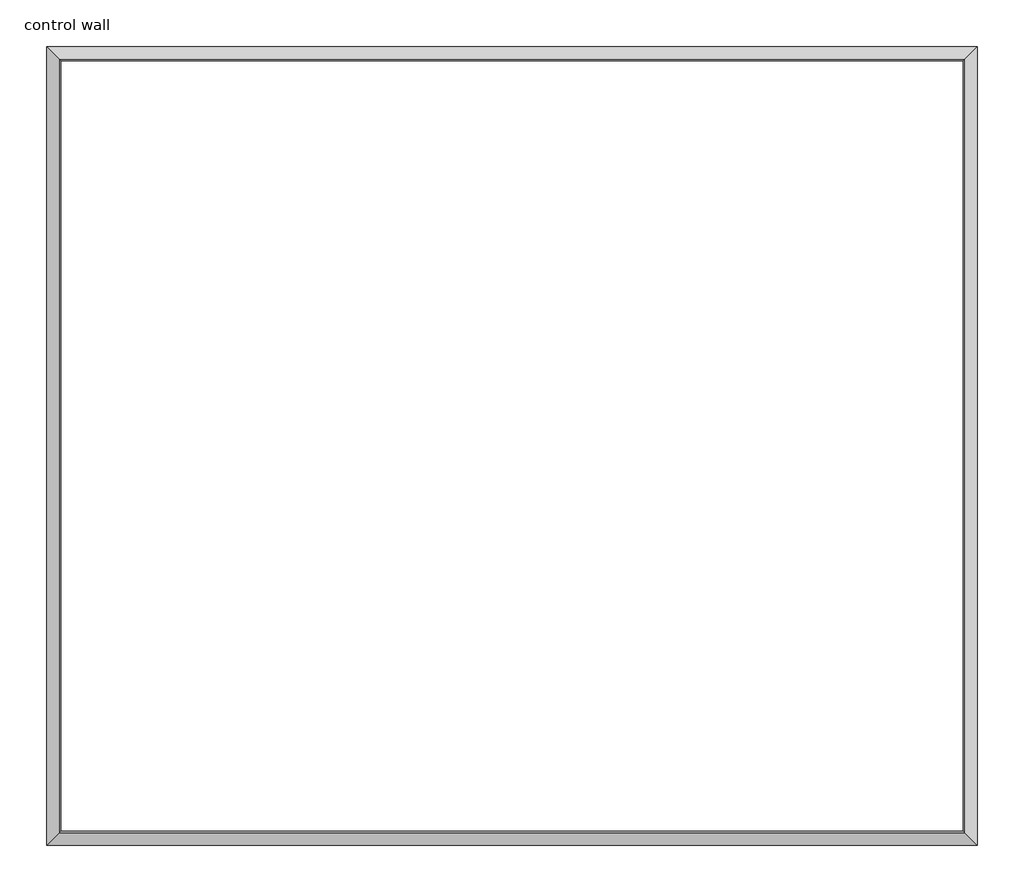
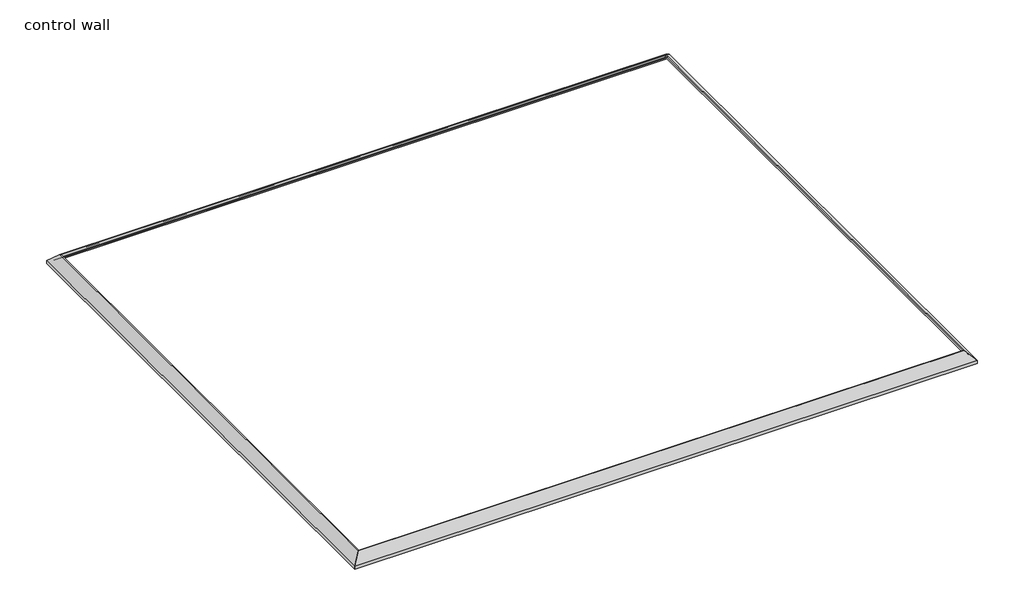
# One storey: 4 proxies.
"""IFC4 building model written with IfcOpenShell, lengths in millimetres."""

from ifc_helpers import new_model, si_unit, frame, origin, place, context, project, spatial, polyline, ellipse_curve, element, save
from ifc_brep_helpers import plane_surface, cylinder_surface, revolved_surface, advanced_brep

model = new_model("IFC4")

# Units and contexts
model_context = context("Model", 3, world=origin())
ifc_project = project(units=[si_unit("LENGTHUNIT", "METRE", prefix="MILLI")], contexts=[model_context])

# Site, building, storey
site = spatial("IfcSite", under=ifc_project)
building = spatial("IfcBuilding", under=site)
storey = spatial("IfcBuildingStorey", under=building, Name="control wall", Elevation=2133.6)

# Proxies
placement = place(None, origin())
element("IfcBuildingElementProxy", 1, Name="Wall Sweeps", at=placement, inside=storey, context=model_context, shape_type="AdvancedBrep", body=[
    advanced_brep(
    [(18436.7302098, -13257.2753377, 2982.9793892), (18436.7302098, -13257.2753377, 2959.1), (18445.710466, -13266.2555938, 2959.1), (18445.710466, -13266.2555938, 2968.0802561), (18459.1808501, -13279.725978, 2981.5506403), (18459.1808501, -13279.725978, 2987.9006403), (18479.70553, -13300.2506579, 3008.4253202), (18500.2302098, -13320.7753377, 3028.95), (18509.8535186, -13330.3986465, 3028.95), (18509.8535186, -13330.3986465, 3048.0), (18501.7508207, -13322.2959485, 3048.0), (23262.7302098, -13257.2753377, 2982.9793892), (23197.709599, -13322.2959485, 3048.0), (23189.606901, -13330.3986465, 3048.0), (23189.606901, -13330.3986465, 3028.95), (23199.2302098, -13320.7753377, 3028.95), (23219.7548897, -13300.2506579, 3008.4253202), (23240.2795695, -13279.725978, 2987.9006403), (23240.2795695, -13279.725978, 2981.5506403), (23253.7499537, -13266.2555938, 2968.0802561), (23253.7499537, -13266.2555938, 2959.1), (23262.7302098, -13257.2753377, 2959.1)],
    [
        (0, 1),
        (1, 2),
        (2, 3),
        (3, 4, ellipse_curve(frame((18459.1808501, -13279.725978, 2968.0802561), z_axis=(0.7071067811865476, 0.7071067811865476, 0.0), x_axis=(0.7071067811865474, -0.7071067811865476, 0.0)), 19.05, 13.4703842)),
        (4, 5),
        (5, 6, ellipse_curve(frame((18459.1808501, -13279.725978, 3008.4253202), z_axis=(-0.7071067811865476, -0.7071067811865476, 0.0), x_axis=(-0.7071067811865474, 0.7071067811865476, 0.0)), 29.0262806, 20.5246798)),
        (6, 7, ellipse_curve(frame((18500.2302098, -13320.7753377, 3008.4253202), z_axis=(0.7071067811865476, 0.7071067811865476, 0.0), x_axis=(0.7071067811865474, -0.7071067811865476, 0.0)), 29.0262806, 20.5246798)),
        (7, 8),
        (8, 9),
        (9, 10),
        (10, 0),
        (11, 12),
        (12, 13),
        (13, 14),
        (14, 15),
        (15, 16, ellipse_curve(frame((23199.2302098, -13320.7753377, 3008.4253202), z_axis=(-0.707106781186544, 0.7071067811865511, 0.0), x_axis=(0.7071067811865509, 0.7071067811865441, 0.0)), 29.0262806, 20.5246798)),
        (16, 17, ellipse_curve(frame((23240.2795695, -13279.725978, 3008.4253202), z_axis=(0.707106781186544, -0.7071067811865511, 0.0), x_axis=(-0.7071067811865509, -0.7071067811865441, 0.0)), 29.0262806, 20.5246798)),
        (17, 18),
        (18, 19, ellipse_curve(frame((23240.2795695, -13279.725978, 2968.0802561), z_axis=(-0.707106781186544, 0.7071067811865511, 0.0), x_axis=(0.7071067811865509, 0.7071067811865441, 0.0)), 19.05, 13.4703842)),
        (19, 20),
        (20, 21),
        (21, 11),
        (0, 11),
        (21, 1),
        (20, 2),
        (19, 3),
        (18, 4),
        (17, 5),
        (16, 6),
        (15, 7),
        (14, 8),
        (13, 9),
        (12, 10),
    ],
    [
        plane_surface(frame((18436.7302098, -13257.2753377, 3263.9), z_axis=(-0.7071067811865476, -0.7071067811865476, 0.0), x_axis=(0.7071067811865476, -0.7071067811865476, 0.0))),
        plane_surface(frame((23262.7302098, -13257.2753377, 3263.9), z_axis=(0.707106781186544, -0.7071067811865511, 0.0), x_axis=(-0.7071067811865511, -0.707106781186544, 0.0))),
        plane_surface(frame((18436.7302098, -13257.2753377, 2982.9793892), z_axis=(0.0, 1.0, 0.0), x_axis=(1.0, 0.0, 0.0))),
        plane_surface(frame((18436.7302098, -13257.2753377, 2959.1), z_axis=(0.0, 0.0, -1.0), x_axis=(1.0, 0.0, 0.0))),
        plane_surface(frame((18445.710466, -13266.2555938, 2959.1), z_axis=(0.0, -1.0, 0.0), x_axis=(1.0, 0.0, 0.0))),
        revolved_surface(polyline([(23253.7499537, -13293.1963622, 2968.0802561), (18445.710465918397, -13293.1963622, 2968.0802561)]), (18436.7302098, -13279.725978, 2968.0802561), (1.0, 0.0, 0.0)),
        plane_surface(frame((18459.1808501, -13279.725978, 2981.5506403), z_axis=(0.0, -1.0, 0.0), x_axis=(1.0, 0.0, 0.0))),
        cylinder_surface(frame((18436.7302098, -13279.725978, 3008.4253202), z_axis=(-1.0, 0.0, 0.0), x_axis=(0.0, -1.0, 0.0)), 20.5246798),
        revolved_surface(polyline([(23219.7548897, -13341.300017500002, 3008.4253202), (18479.705529955118, -13341.300017500002, 3008.4253202)]), (18436.7302098, -13320.7753377, 3008.4253202), (1.0, 0.0, 0.0)),
        plane_surface(frame((18500.2302098, -13320.7753377, 3028.95), z_axis=(0.0, 0.0, -1.0), x_axis=(1.0, 0.0, 0.0))),
        plane_surface(frame((18509.8535186, -13330.3986465, 3028.95), z_axis=(0.0, -1.0, 0.0), x_axis=(1.0, 0.0, 0.0))),
        plane_surface(frame((18509.8535186, -13330.3986465, 3048.0), z_axis=(0.0, 0.0, 1.0), x_axis=(1.0, 0.0, 0.0))),
        plane_surface(frame((18501.7508207, -13322.2959485, 3048.0), z_axis=(0.0, 0.707106781186547, 0.707106781186548), x_axis=(1.0, 0.0, 0.0))),
    ],
    [
        (0, [[1, 2, 3, 4, 5, 6, 7, 8, 9, 10, 11]]),
        (1, [[12, 13, 14, 15, 16, 17, 18, 19, 20, 21, 22]]),
        (2, [[-1, 23, -22, 24]]),
        (3, [[-2, -24, -21, 25]]),
        (4, [[-3, -25, -20, 26]]),
        (5, [[-4, -26, -19, 27]]),
        (6, [[-5, -27, -18, 28]]),
        (7, [[-6, -28, -17, 29]]),
        (8, [[-7, -29, -16, 30]]),
        (9, [[-8, -30, -15, 31]]),
        (10, [[-9, -31, -14, 32]]),
        (11, [[-10, -32, -13, 33]]),
        (12, [[-11, -33, -12, -23]]),
    ],
),
])
element("IfcBuildingElementProxy", 2, Name="Wall Sweeps", at=placement, inside=storey, context=model_context, shape_type="AdvancedBrep", body=[
    advanced_brep(
    [(18436.7302098, -17397.2878377, 2982.9793892), (18436.7302098, -17397.2878377, 2959.1), (18445.710466, -17388.3075816, 2959.1), (18445.710466, -17388.3075816, 2968.0802561), (18459.1808501, -17374.8371974, 2981.5506403), (18459.1808501, -17374.8371974, 2987.9006403), (18479.70553, -17354.3125176, 3008.4253202), (18500.2302098, -17333.7878377, 3028.95), (18509.8535186, -17324.1645289, 3028.95), (18509.8535186, -17324.1645289, 3048.0), (18501.7508207, -17332.2672269, 3048.0), (18436.7302098, -13257.2753377, 2982.9793892), (18501.7508207, -13322.2959485, 3048.0), (18509.8535186, -13330.3986465, 3048.0), (18509.8535186, -13330.3986465, 3028.95), (18500.2302098, -13320.7753377, 3028.95), (18479.70553, -13300.2506579, 3008.4253202), (18459.1808501, -13279.725978, 2987.9006403), (18459.1808501, -13279.725978, 2981.5506403), (18445.710466, -13266.2555938, 2968.0802561), (18445.710466, -13266.2555938, 2959.1), (18436.7302098, -13257.2753377, 2959.1)],
    [
        (0, 1),
        (1, 2),
        (2, 3),
        (3, 4, ellipse_curve(frame((18459.1808501, -17374.8371974, 2968.0802561), z_axis=(-0.7071067811865476, 0.7071067811865476, 0.0), x_axis=(0.7071067811865476, 0.7071067811865474, 0.0)), 19.05, 13.4703842)),
        (4, 5),
        (5, 6, ellipse_curve(frame((18459.1808501, -17374.8371974, 3008.4253202), z_axis=(0.7071067811865476, -0.7071067811865476, 0.0), x_axis=(-0.7071067811865476, -0.7071067811865474, 0.0)), 29.0262806, 20.5246798)),
        (6, 7, ellipse_curve(frame((18500.2302098, -17333.7878377, 3008.4253202), z_axis=(-0.7071067811865476, 0.7071067811865476, 0.0), x_axis=(0.7071067811865476, 0.7071067811865474, 0.0)), 29.0262806, 20.5246798)),
        (7, 8),
        (8, 9),
        (9, 10),
        (10, 0),
        (11, 12),
        (12, 13),
        (13, 14),
        (14, 15),
        (15, 16, ellipse_curve(frame((18500.2302098, -13320.7753377, 3008.4253202), z_axis=(-0.7071067811865476, -0.7071067811865476, 0.0), x_axis=(-0.7071067811865476, 0.7071067811865474, 0.0)), 29.0262806, 20.5246798)),
        (16, 17, ellipse_curve(frame((18459.1808501, -13279.725978, 3008.4253202), z_axis=(0.7071067811865476, 0.7071067811865476, 0.0), x_axis=(0.7071067811865476, -0.7071067811865474, 0.0)), 29.0262806, 20.5246798)),
        (17, 18),
        (18, 19, ellipse_curve(frame((18459.1808501, -13279.725978, 2968.0802561), z_axis=(-0.7071067811865476, -0.7071067811865476, 0.0), x_axis=(-0.7071067811865476, 0.7071067811865474, 0.0)), 19.05, 13.4703842)),
        (19, 20),
        (20, 21),
        (21, 11),
        (0, 11),
        (21, 1),
        (20, 2),
        (19, 3),
        (18, 4),
        (17, 5),
        (16, 6),
        (15, 7),
        (14, 8),
        (13, 9),
        (12, 10),
    ],
    [
        plane_surface(frame((18436.7302098, -17397.2878377, 3263.9), z_axis=(0.7071067811865476, -0.7071067811865476, 0.0), x_axis=(0.7071067811865476, 0.7071067811865476, 0.0))),
        plane_surface(frame((18436.7302098, -13257.2753377, 3263.9), z_axis=(0.7071067811865476, 0.7071067811865476, 0.0), x_axis=(0.7071067811865476, -0.7071067811865476, 0.0))),
        plane_surface(frame((18436.7302098, -17397.2878377, 2982.9793892), z_axis=(-1.0, 0.0, 0.0), x_axis=(0.0, 1.0, 0.0))),
        plane_surface(frame((18436.7302098, -17397.2878377, 2959.1), z_axis=(0.0, 0.0, -1.0), x_axis=(0.0, 1.0, 0.0))),
        plane_surface(frame((18445.710466, -17388.3075816, 2959.1), z_axis=(1.0, 0.0, 0.0), x_axis=(0.0, 1.0, 0.0))),
        revolved_surface(polyline([(18472.651234300003, -13266.2555938, 2968.0802561), (18472.651234300003, -17388.3075816, 2968.0802561)]), (18459.1808501, -17397.2878377, 2968.0802561), (0.0, 1.0, 0.0)),
        plane_surface(frame((18459.1808501, -17374.8371974, 2981.5506403), z_axis=(1.0, 0.0, 0.0), x_axis=(0.0, 1.0, 0.0))),
        cylinder_surface(frame((18459.1808501, -17397.2878377, 3008.4253202), z_axis=(0.0, -1.0, 0.0), x_axis=(1.0, 0.0, 0.0)), 20.5246798),
        revolved_surface(polyline([(18520.7548896, -13300.250657855118, 3008.4253202), (18520.7548896, -17354.3125176, 3008.4253202)]), (18500.2302098, -17397.2878377, 3008.4253202), (0.0, 1.0, 0.0)),
        plane_surface(frame((18500.2302098, -17333.7878377, 3028.95), z_axis=(0.0, 0.0, -1.0), x_axis=(0.0, 1.0, 0.0))),
        plane_surface(frame((18509.8535186, -17324.1645289, 3028.95), z_axis=(1.0, 0.0, 0.0), x_axis=(0.0, 1.0, 0.0))),
        plane_surface(frame((18509.8535186, -17324.1645289, 3048.0), z_axis=(0.0, 0.0, 1.0), x_axis=(0.0, 1.0, 0.0))),
        plane_surface(frame((18501.7508207, -17332.2672269, 3048.0), z_axis=(-0.707106781186547, 0.0, 0.707106781186548), x_axis=(0.0, 1.0, 0.0))),
    ],
    [
        (0, [[1, 2, 3, 4, 5, 6, 7, 8, 9, 10, 11]]),
        (1, [[12, 13, 14, 15, 16, 17, 18, 19, 20, 21, 22]]),
        (2, [[-1, 23, -22, 24]]),
        (3, [[-2, -24, -21, 25]]),
        (4, [[-3, -25, -20, 26]]),
        (5, [[-4, -26, -19, 27]]),
        (6, [[-5, -27, -18, 28]]),
        (7, [[-6, -28, -17, 29]]),
        (8, [[-7, -29, -16, 30]]),
        (9, [[-8, -30, -15, 31]]),
        (10, [[-9, -31, -14, 32]]),
        (11, [[-10, -32, -13, 33]]),
        (12, [[-11, -33, -12, -23]]),
    ],
),
])
element("IfcBuildingElementProxy", 3, Name="Wall Sweeps", at=placement, inside=storey, context=model_context, shape_type="AdvancedBrep", body=[
    advanced_brep(
    [(23262.7302098, -17397.2878377, 2982.9793892), (23262.7302098, -17397.2878377, 2959.1), (23253.7499537, -17388.3075816, 2959.1), (23253.7499537, -17388.3075816, 2968.0802561), (23240.2795695, -17374.8371974, 2981.5506403), (23240.2795695, -17374.8371974, 2987.9006403), (23219.7548897, -17354.3125176, 3008.4253202), (23199.2302098, -17333.7878377, 3028.95), (23189.606901, -17324.1645289, 3028.95), (23189.606901, -17324.1645289, 3048.0), (23197.709599, -17332.2672269, 3048.0), (18436.7302098, -17397.2878377, 2982.9793892), (18501.7508207, -17332.2672269, 3048.0), (18509.8535186, -17324.1645289, 3048.0), (18509.8535186, -17324.1645289, 3028.95), (18500.2302098, -17333.7878377, 3028.95), (18479.70553, -17354.3125176, 3008.4253202), (18459.1808501, -17374.8371974, 2987.9006403), (18459.1808501, -17374.8371974, 2981.5506403), (18445.710466, -17388.3075816, 2968.0802561), (18445.710466, -17388.3075816, 2959.1), (18436.7302098, -17397.2878377, 2959.1)],
    [
        (0, 1),
        (1, 2),
        (2, 3),
        (3, 4, ellipse_curve(frame((23240.2795695, -17374.8371974, 2968.0802561), z_axis=(-0.707106781186544, -0.7071067811865511, 0.0), x_axis=(-0.707106781186551, 0.707106781186544, 0.0)), 19.05, 13.4703842)),
        (4, 5),
        (5, 6, ellipse_curve(frame((23240.2795695, -17374.8371974, 3008.4253202), z_axis=(0.707106781186544, 0.7071067811865511, 0.0), x_axis=(0.707106781186551, -0.707106781186544, 0.0)), 29.0262806, 20.5246798)),
        (6, 7, ellipse_curve(frame((23199.2302098, -17333.7878377, 3008.4253202), z_axis=(-0.707106781186544, -0.7071067811865511, 0.0), x_axis=(-0.707106781186551, 0.707106781186544, 0.0)), 29.0262806, 20.5246798)),
        (7, 8),
        (8, 9),
        (9, 10),
        (10, 0),
        (11, 12),
        (12, 13),
        (13, 14),
        (14, 15),
        (15, 16, ellipse_curve(frame((18500.2302098, -17333.7878377, 3008.4253202), z_axis=(0.7071067811865476, -0.7071067811865476, 0.0), x_axis=(-0.7071067811865474, -0.7071067811865477, 0.0)), 29.0262806, 20.5246798)),
        (16, 17, ellipse_curve(frame((18459.1808501, -17374.8371974, 3008.4253202), z_axis=(-0.7071067811865476, 0.7071067811865476, 0.0), x_axis=(0.7071067811865474, 0.7071067811865477, 0.0)), 29.0262806, 20.5246798)),
        (17, 18),
        (18, 19, ellipse_curve(frame((18459.1808501, -17374.8371974, 2968.0802561), z_axis=(0.7071067811865476, -0.7071067811865476, 0.0), x_axis=(-0.7071067811865474, -0.7071067811865477, 0.0)), 19.05, 13.4703842)),
        (19, 20),
        (20, 21),
        (21, 11),
        (0, 11),
        (21, 1),
        (20, 2),
        (19, 3),
        (18, 4),
        (17, 5),
        (16, 6),
        (15, 7),
        (14, 8),
        (13, 9),
        (12, 10),
    ],
    [
        plane_surface(frame((23262.7302098, -17397.2878377, 3263.9), z_axis=(0.707106781186544, 0.7071067811865511, 0.0), x_axis=(-0.7071067811865511, 0.707106781186544, 0.0))),
        plane_surface(frame((18436.7302098, -17397.2878377, 3263.9), z_axis=(-0.7071067811865476, 0.7071067811865476, 0.0), x_axis=(0.7071067811865476, 0.7071067811865476, 0.0))),
        plane_surface(frame((23262.7302098, -17397.2878377, 2982.9793892), z_axis=(0.0, -1.0, 0.0), x_axis=(-1.0, 0.0, 0.0))),
        plane_surface(frame((23262.7302098, -17397.2878377, 2959.1), z_axis=(0.0, 0.0, -1.0), x_axis=(-1.0, 0.0, 0.0))),
        plane_surface(frame((23253.7499537, -17388.3075816, 2959.1), z_axis=(0.0, 1.0, 0.0), x_axis=(-1.0, 0.0, 0.0))),
        revolved_surface(polyline([(18445.710465918397, -17361.3668132, 2968.0802561), (23253.7499537, -17361.3668132, 2968.0802561)]), (23262.7302098, -17374.8371974, 2968.0802561), (-1.0, 0.0, 0.0)),
        plane_surface(frame((23240.2795695, -17374.8371974, 2981.5506403), z_axis=(0.0, 1.0, 0.0), x_axis=(-1.0, 0.0, 0.0))),
        cylinder_surface(frame((23262.7302098, -17374.8371974, 3008.4253202), z_axis=(1.0, 0.0, 0.0), x_axis=(0.0, 1.0, 0.0)), 20.5246798),
        revolved_surface(polyline([(18479.705529955118, -17313.2631579, 3008.4253202), (23219.7548897, -17313.2631579, 3008.4253202)]), (23262.7302098, -17333.7878377, 3008.4253202), (-1.0, 0.0, 0.0)),
        plane_surface(frame((23199.2302098, -17333.7878377, 3028.95), z_axis=(0.0, 0.0, -1.0), x_axis=(-1.0, 0.0, 0.0))),
        plane_surface(frame((23189.606901, -17324.1645289, 3028.95), z_axis=(0.0, 1.0, 0.0), x_axis=(-1.0, 0.0, 0.0))),
        plane_surface(frame((23189.606901, -17324.1645289, 3048.0), z_axis=(0.0, 0.0, 1.0), x_axis=(-1.0, 0.0, 0.0))),
        plane_surface(frame((23197.709599, -17332.2672269, 3048.0), z_axis=(0.0, -0.707106781186547, 0.707106781186548), x_axis=(-1.0, 0.0, 0.0))),
    ],
    [
        (0, [[1, 2, 3, 4, 5, 6, 7, 8, 9, 10, 11]]),
        (1, [[12, 13, 14, 15, 16, 17, 18, 19, 20, 21, 22]]),
        (2, [[-1, 23, -22, 24]]),
        (3, [[-2, -24, -21, 25]]),
        (4, [[-3, -25, -20, 26]]),
        (5, [[-4, -26, -19, 27]]),
        (6, [[-5, -27, -18, 28]]),
        (7, [[-6, -28, -17, 29]]),
        (8, [[-7, -29, -16, 30]]),
        (9, [[-8, -30, -15, 31]]),
        (10, [[-9, -31, -14, 32]]),
        (11, [[-10, -32, -13, 33]]),
        (12, [[-11, -33, -12, -23]]),
    ],
),
])
element("IfcBuildingElementProxy", 4, Name="Wall Sweeps", at=placement, inside=storey, context=model_context, shape_type="AdvancedBrep", body=[
    advanced_brep(
    [(23262.7302098, -13257.2753377, 2982.9793892), (23262.7302098, -13257.2753377, 2959.1), (23253.7499537, -13266.2555938, 2959.1), (23253.7499537, -13266.2555938, 2968.0802561), (23240.2795695, -13279.725978, 2981.5506403), (23240.2795695, -13279.725978, 2987.9006403), (23219.7548897, -13300.2506579, 3008.4253202), (23199.2302098, -13320.7753377, 3028.95), (23189.606901, -13330.3986465, 3028.95), (23189.606901, -13330.3986465, 3048.0), (23197.709599, -13322.2959485, 3048.0), (23262.7302098, -17397.2878377, 2982.9793892), (23197.709599, -17332.2672269, 3048.0), (23189.606901, -17324.1645289, 3048.0), (23189.606901, -17324.1645289, 3028.95), (23199.2302098, -17333.7878377, 3028.95), (23219.7548897, -17354.3125176, 3008.4253202), (23240.2795695, -17374.8371974, 2987.9006403), (23240.2795695, -17374.8371974, 2981.5506403), (23253.7499537, -17388.3075816, 2968.0802561), (23253.7499537, -17388.3075816, 2959.1), (23262.7302098, -17397.2878377, 2959.1)],
    [
        (0, 1),
        (1, 2),
        (2, 3),
        (3, 4, ellipse_curve(frame((23240.2795695, -13279.725978, 2968.0802561), z_axis=(0.707106781186544, -0.7071067811865511, 0.0), x_axis=(-0.7071067811865512, -0.7071067811865438, 0.0)), 19.05, 13.4703842)),
        (4, 5),
        (5, 6, ellipse_curve(frame((23240.2795695, -13279.725978, 3008.4253202), z_axis=(-0.707106781186544, 0.7071067811865511, 0.0), x_axis=(0.7071067811865512, 0.7071067811865438, 0.0)), 29.0262806, 20.5246798)),
        (6, 7, ellipse_curve(frame((23199.2302098, -13320.7753377, 3008.4253202), z_axis=(0.707106781186544, -0.7071067811865511, 0.0), x_axis=(-0.7071067811865512, -0.7071067811865438, 0.0)), 29.0262806, 20.5246798)),
        (7, 8),
        (8, 9),
        (9, 10),
        (10, 0),
        (11, 12),
        (12, 13),
        (13, 14),
        (14, 15),
        (15, 16, ellipse_curve(frame((23199.2302098, -17333.7878377, 3008.4253202), z_axis=(0.707106781186544, 0.7071067811865511, 0.0), x_axis=(0.7071067811865511, -0.7071067811865439, 0.0)), 29.0262806, 20.5246798)),
        (16, 17, ellipse_curve(frame((23240.2795695, -17374.8371974, 3008.4253202), z_axis=(-0.707106781186544, -0.7071067811865511, 0.0), x_axis=(-0.7071067811865511, 0.7071067811865439, 0.0)), 29.0262806, 20.5246798)),
        (17, 18),
        (18, 19, ellipse_curve(frame((23240.2795695, -17374.8371974, 2968.0802561), z_axis=(0.707106781186544, 0.7071067811865511, 0.0), x_axis=(0.7071067811865511, -0.7071067811865439, 0.0)), 19.05, 13.4703842)),
        (19, 20),
        (20, 21),
        (21, 11),
        (0, 11),
        (21, 1),
        (20, 2),
        (19, 3),
        (18, 4),
        (17, 5),
        (16, 6),
        (15, 7),
        (14, 8),
        (13, 9),
        (12, 10),
    ],
    [
        plane_surface(frame((23262.7302098, -13257.2753377, 3263.9), z_axis=(-0.707106781186544, 0.7071067811865511, 0.0), x_axis=(-0.7071067811865511, -0.707106781186544, 0.0))),
        plane_surface(frame((23262.7302098, -17397.2878377, 3263.9), z_axis=(-0.707106781186544, -0.7071067811865511, 0.0), x_axis=(-0.7071067811865511, 0.707106781186544, 0.0))),
        plane_surface(frame((23262.7302098, -13257.2753377, 2982.9793892), z_axis=(1.0, 0.0, 0.0), x_axis=(0.0, -1.0, 0.0))),
        plane_surface(frame((23262.7302098, -13257.2753377, 2959.1), z_axis=(0.0, 0.0, -1.0), x_axis=(0.0, -1.0, 0.0))),
        plane_surface(frame((23253.7499537, -13266.2555938, 2959.1), z_axis=(-1.0, 0.0, 0.0), x_axis=(0.0, -1.0, 0.0))),
        revolved_surface(polyline([(23226.809185299997, -17388.3075816, 2968.0802561), (23226.809185299997, -13266.2555938, 2968.0802561)]), (23240.2795695, -13257.2753377, 2968.0802561), (0.0, -1.0, 0.0)),
        plane_surface(frame((23240.2795695, -13279.725978, 2981.5506403), z_axis=(-1.0, 0.0, 0.0), x_axis=(0.0, -1.0, 0.0))),
        cylinder_surface(frame((23240.2795695, -13257.2753377, 3008.4253202), z_axis=(0.0, 1.0, 0.0), x_axis=(-1.0, 0.0, 0.0)), 20.5246798),
        revolved_surface(polyline([(23178.70553, -17354.3125176, 3008.4253202), (23178.70553, -13300.250657855117, 3008.4253202)]), (23199.2302098, -13257.2753377, 3008.4253202), (0.0, -1.0, 0.0)),
        plane_surface(frame((23199.2302098, -13320.7753377, 3028.95), z_axis=(0.0, 0.0, -1.0), x_axis=(0.0, -1.0, 0.0))),
        plane_surface(frame((23189.606901, -13330.3986465, 3028.95), z_axis=(-1.0, 0.0, 0.0), x_axis=(0.0, -1.0, 0.0))),
        plane_surface(frame((23189.606901, -13330.3986465, 3048.0), z_axis=(0.0, 0.0, 1.0), x_axis=(0.0, -1.0, 0.0))),
        plane_surface(frame((23197.709599, -13322.2959485, 3048.0), z_axis=(0.707106781186547, 0.0, 0.707106781186548), x_axis=(0.0, -1.0, 0.0))),
    ],
    [
        (0, [[1, 2, 3, 4, 5, 6, 7, 8, 9, 10, 11]]),
        (1, [[12, 13, 14, 15, 16, 17, 18, 19, 20, 21, 22]]),
        (2, [[-1, 23, -22, 24]]),
        (3, [[-2, -24, -21, 25]]),
        (4, [[-3, -25, -20, 26]]),
        (5, [[-4, -26, -19, 27]]),
        (6, [[-5, -27, -18, 28]]),
        (7, [[-6, -28, -17, 29]]),
        (8, [[-7, -29, -16, 30]]),
        (9, [[-8, -30, -15, 31]]),
        (10, [[-9, -31, -14, 32]]),
        (11, [[-10, -32, -13, 33]]),
        (12, [[-11, -33, -12, -23]]),
    ],
),
])

save(model, "model.ifc")
